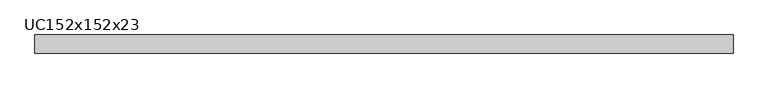
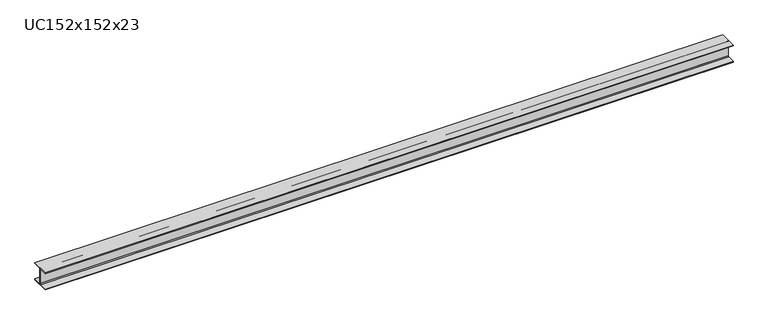
"""IFC4 building model written with IfcOpenShell, lengths in millimetres: beam geometry, UC152x152x23."""

from ifc_helpers import new_model, si_unit, point, frame, frame_2d, origin, place, context, project, spatial, polyline, circle_curve, trimmed, segment, composite_curve, outline, extrude, source, transform, mapped, element, save


def uc152x152x23_180816a0(model_context):
    return source(origin(), model_context, "Body", "SweptSolid", [
        extrude(outline(composite_curve([segment(polyline([(76.1, -69.4), (76.1, -76.2), (-76.1, -76.2), (-76.1, -69.4), (-10.5, -69.4)]), True, "CONTINUOUS"), segment(trimmed(circle_curve(frame_2d((-10.5, -61.8)), 7.6), [point((-10.5, -69.4))], [point((-2.9, -61.8))], True, "CARTESIAN"), True, "CONTINUOUS"), segment(polyline([(-2.9, -61.8), (-2.9, 61.8)]), True, "CONTINUOUS"), segment(trimmed(circle_curve(frame_2d((-10.5, 61.8)), 7.6), [point((-2.9, 61.8))], [point((-10.5, 69.4))], True, "CARTESIAN"), True, "CONTINUOUS"), segment(polyline([(-10.5, 69.4), (-76.1, 69.4), (-76.1, 76.2), (76.1, 76.2), (76.1, 69.4), (10.5, 69.4)]), True, "CONTINUOUS"), segment(trimmed(circle_curve(frame_2d((10.5, 61.8)), 7.6), [point((10.5, 69.4))], [point((2.9, 61.8))], True, "CARTESIAN"), True, "CONTINUOUS"), segment(polyline([(2.9, 61.8), (2.9, -61.8)]), True, "CONTINUOUS"), segment(trimmed(circle_curve(frame_2d((10.5, -61.8)), 7.6), [point((2.9, -61.8))], [point((10.5, -69.4))], True, "CARTESIAN"), True, "CONTINUOUS"), segment(polyline([(10.5, -69.4), (76.1, -69.4)]), True, "CONTINUOUS")], self_intersect=False)), frame((-2935.0, 0.0, 0.0), z_axis=(1.0, 0.0, 0.0), x_axis=(0.0, 1.0, 0.0)), (0.0, 0.0, 1.0), 5870.0),
    ])


if __name__ == "__main__":
    model = new_model("IFC4")
    model_context = context("Model", 3, world=origin())
    ifc_project = project(units=[si_unit("LENGTHUNIT", "METRE", prefix="MILLI")], contexts=[model_context])
    site = spatial("IfcSite", under=ifc_project)
    building = spatial("IfcBuilding", under=site)
    placement = place(None, origin())
    uc152x152x23_shape = uc152x152x23_180816a0(model_context)
    element("IfcBeam", 1, ObjectType="UC152x152x23", at=placement, inside=building, context=model_context, shape_type="MappedRepresentation", body=[
        mapped(uc152x152x23_shape, transform((0.0, 0.0, 0.0), x_axis=(1.0, 0.0, 0.0), y_axis=(0.0, 1.0, 0.0), z_axis=(0.0, 0.0, 1.0))),
    ])
    save(model, "model.ifc")
